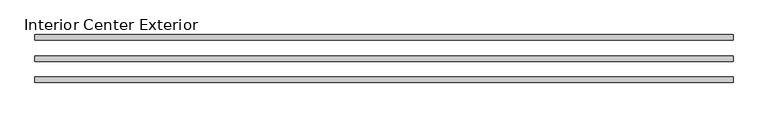
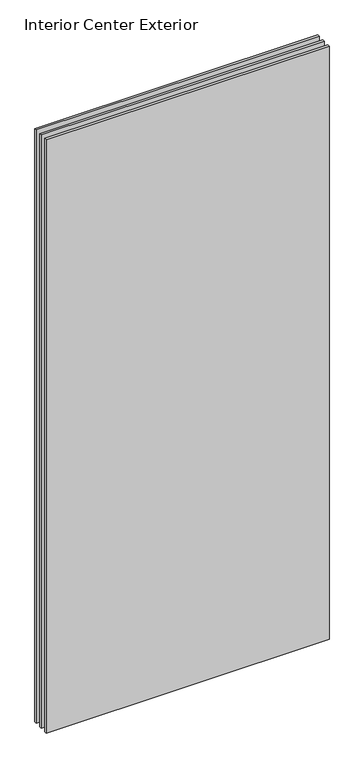
"""IFC4 building model written with IfcOpenShell, lengths in millimetres: plate geometry, Interior Center Exterior."""

from ifc_helpers import new_model, si_unit, frame, origin, place, context, project, spatial, polyline, outline, extrude, source, transform, mapped, element, save


def interior_center_exterior_c6db6d29(model_context):
    return source(origin(), model_context, "Body", "SweptSolid", [
        extrude(outline(polyline([(601.4124998, -4.7625), (-601.4124998, -4.7625), (-601.4124998, 4.7625), (601.4124998, 4.7625), (601.4124998, -4.7625)])), frame((0.0, 0.0, 31.75), z_axis=(0.0, 0.0, 1.0), x_axis=(1.0, 0.0, 0.0)), (0.0, 0.0, 1.0), 2666.4999996),
        extrude(outline(polyline([(601.4124998, -41.275), (-601.4124998, -41.275), (-601.4124998, -31.75), (601.4124998, -31.75), (601.4124998, -41.275)])), frame((0.0, 0.0, 31.75), z_axis=(0.0, 0.0, 1.0), x_axis=(1.0, 0.0, 0.0)), (0.0, 0.0, 1.0), 2666.4999996),
        extrude(outline(polyline([(601.4124998, 41.275), (601.4124998, 31.75), (-601.4124998, 31.75), (-601.4124998, 41.275), (601.4124998, 41.275)])), frame((0.0, 0.0, 31.75), z_axis=(0.0, 0.0, 1.0), x_axis=(1.0, 0.0, 0.0)), (0.0, 0.0, 1.0), 2666.4999996),
    ])


if __name__ == "__main__":
    model = new_model("IFC4")
    model_context = context("Model", 3, world=origin())
    ifc_project = project(units=[si_unit("LENGTHUNIT", "METRE", prefix="MILLI")], contexts=[model_context])
    site = spatial("IfcSite", under=ifc_project)
    building = spatial("IfcBuilding", under=site)
    placement = place(None, origin())
    interior_center_exterior_shape = interior_center_exterior_c6db6d29(model_context)
    element("IfcPlate", 1, ObjectType="Interior Center Exterior", at=placement, inside=building, context=model_context, shape_type="MappedRepresentation", body=[
        mapped(interior_center_exterior_shape, transform((0.0, 0.0, 0.0), x_axis=(1.0, 0.0, 0.0), y_axis=(0.0, 1.0, 0.0), z_axis=(0.0, 0.0, 1.0))),
    ])
    save(model, "model.ifc")
